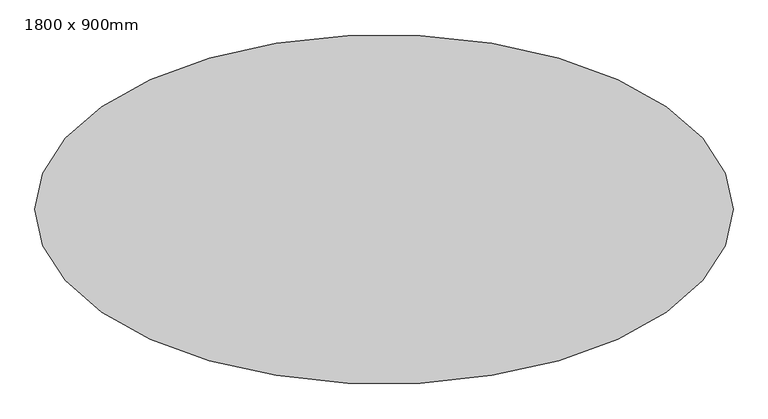
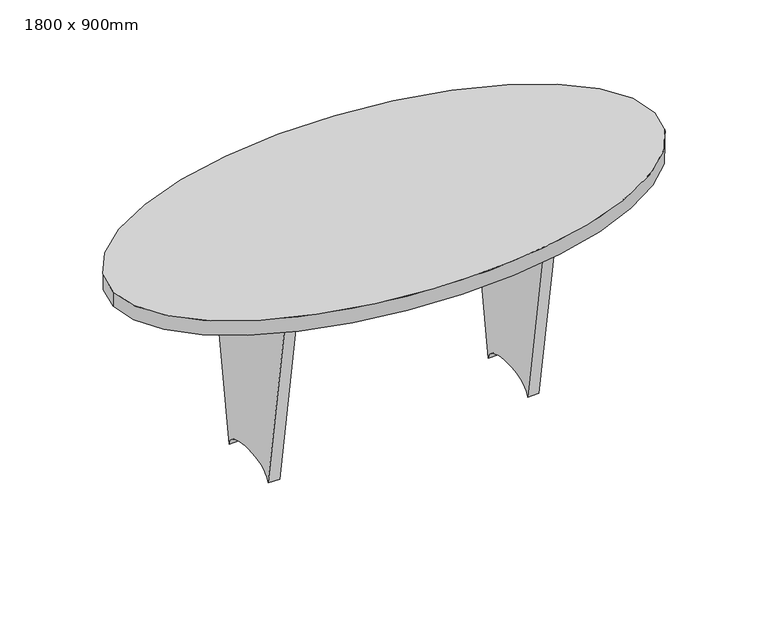
"""IFC4 building model written with IfcOpenShell, lengths in millimetres: furniture geometry, 1800 x 900mm."""

from ifc_helpers import new_model, si_unit, point, frame, origin, place, context, project, spatial, ellipse_curve, trimmed, source, transform, mapped, element, save
from ifc_brep_helpers import plane_surface, extruded_surface, advanced_brep


def furniture_1800_x_900mm_fd46d5a5(model_context):
    return source(origin(), model_context, "Body", "AdvancedBrep", [
        advanced_brep(
        [(-411.9, 19.05, 709.2), (411.9, 19.05, 709.2), (411.9, 19.05, 472.8), (-411.9, 19.05, 472.8), (-411.9, -19.05, 709.2), (-411.9, -19.05, 472.8), (411.9, -19.05, 472.8), (411.9, -19.05, 709.2)],
        [
            (0, 1),
            (1, 2),
            (2, 3, ellipse_curve(frame((0.0, 19.05, 472.8), z_axis=(0.0, -1.0, 0.0), x_axis=(1.0, 0.0, 0.0)), 411.9, 101.6)),
            (3, 0),
            (4, 5),
            (5, 6, ellipse_curve(frame((0.0, -19.05, 472.8), z_axis=(0.0, 1.0, 0.0), x_axis=(1.0, 0.0, 0.0)), 411.9, 101.6)),
            (6, 7),
            (7, 4),
            (0, 4),
            (7, 1),
            (6, 2),
            (5, 3),
        ],
        [
            plane_surface(frame((-411.9, 19.05, 709.2), z_axis=(0.0, 1.0, 0.0), x_axis=(1.0, 0.0, 0.0))),
            plane_surface(frame((-411.9, -19.05, 709.2), z_axis=(0.0, -1.0, 0.0), x_axis=(-1.0, 0.0, 0.0))),
            plane_surface(frame((-411.9, 19.05, 709.2), z_axis=(0.0, 0.0, 1.0), x_axis=(0.0, -1.0, 0.0))),
            plane_surface(frame((411.9, 19.05, 709.2), z_axis=(1.0, 0.0, 0.0), x_axis=(0.0, -1.0, 0.0))),
            extruded_surface(trimmed(ellipse_curve(frame((0.0, -57.15, 472.8), z_axis=(0.0, -1.0, 0.0), x_axis=(1.0, 0.0, 0.0)), 411.9, 101.6), [point((411.9, -57.15, 472.8))], [point((-411.9, -57.15, 472.8))], True, "CARTESIAN"), (0.0, 38.099999999999994, 0.0), 38.099999999999994),
            plane_surface(frame((-411.9, 19.05, 472.8), z_axis=(-1.0, 0.0, 0.0), x_axis=(0.0, -1.0, 0.0))),
        ],
        [
            (0, [[1, 2, 3, 4]]),
            (1, [[5, 6, 7, 8]]),
            (2, [[-1, 9, -8, 10]]),
            (3, [[-2, -10, -7, 11]]),
            (4, [[-3, -11, -6, 12]]),
            (5, [[-4, -12, -5, -9]]),
        ],
    ),
        advanced_brep(
        [(450.0, 225.0, 709.2), (450.0, -225.0, 709.2), (450.0, -112.5, 0.0), (450.0, 112.5, 0.0), (411.9, 225.0, 709.2), (411.9, 112.5, 0.0), (411.9, -112.5, 0.0), (411.9, -225.0, 709.2)],
        [
            (0, 1),
            (1, 2),
            (2, 3, ellipse_curve(frame((450.0, 0.0, 0.0), z_axis=(-1.0, 0.0, 0.0), x_axis=(0.0, 1.0, 0.0)), 112.5, 50.8)),
            (3, 0),
            (4, 5),
            (5, 6, ellipse_curve(frame((411.9, 0.0, 0.0), z_axis=(1.0, 0.0, 0.0), x_axis=(0.0, 1.0, 0.0)), 112.5, 50.8)),
            (6, 7),
            (7, 4),
            (0, 4),
            (7, 1),
            (6, 2),
            (5, 3),
        ],
        [
            plane_surface(frame((450.0, -225.0, 709.2), z_axis=(1.0, 0.0, 0.0), x_axis=(0.0, -1.0, 0.0))),
            plane_surface(frame((411.9, -225.0, 709.2), z_axis=(-1.0, 0.0, 0.0), x_axis=(0.0, 1.0, 0.0))),
            plane_surface(frame((450.0, 225.0, 709.2), z_axis=(0.0, 0.0, 1.0), x_axis=(-1.0, 0.0, 0.0))),
            plane_surface(frame((450.0, -225.0, 709.2), z_axis=(0.0, -0.9876509250759588, -0.1566705147645943), x_axis=(-1.0, 0.0, 0.0))),
            extruded_surface(trimmed(ellipse_curve(frame((373.8, 0.0, 0.0), z_axis=(-1.0, 0.0, 0.0), x_axis=(0.0, 1.0, 0.0)), 112.5, 50.8), [point((373.8, -112.5, 0.0))], [point((373.8, 112.5, 0.0))], True, "CARTESIAN"), (38.099999999999966, 0.0, 0.0), 38.099999999999966),
            plane_surface(frame((450.0, 112.5, 0.0), z_axis=(0.0, 0.9876509250759595, -0.1566705147645892), x_axis=(-1.0, 0.0, 0.0))),
        ],
        [
            (0, [[1, 2, 3, 4]]),
            (1, [[5, 6, 7, 8]]),
            (2, [[-1, 9, -8, 10]]),
            (3, [[-2, -10, -7, 11]]),
            (4, [[-3, -11, -6, 12]]),
            (5, [[-4, -12, -5, -9]]),
        ],
    ),
        advanced_brep(
        [(-411.9, 225.0, 709.2), (-411.9, -225.0, 709.2), (-411.9, -112.5, 0.0), (-411.9, 112.5, 0.0), (-450.0, 225.0, 709.2), (-450.0, 112.5, 0.0), (-450.0, -112.5, 0.0), (-450.0, -225.0, 709.2)],
        [
            (0, 1),
            (1, 2),
            (2, 3, ellipse_curve(frame((-411.9, 0.0, 0.0), z_axis=(-1.0, 0.0, 0.0), x_axis=(0.0, 1.0, 0.0)), 112.5, 50.8)),
            (3, 0),
            (4, 5),
            (5, 6, ellipse_curve(frame((-450.0, 0.0, 0.0), z_axis=(1.0, 0.0, 0.0), x_axis=(0.0, 1.0, 0.0)), 112.5, 50.8)),
            (6, 7),
            (7, 4),
            (0, 4),
            (7, 1),
            (6, 2),
            (5, 3),
        ],
        [
            plane_surface(frame((-411.9, -225.0, 709.2), z_axis=(1.0, 0.0, 0.0), x_axis=(0.0, -1.0, 0.0))),
            plane_surface(frame((-450.0, -225.0, 709.2), z_axis=(-1.0, 0.0, 0.0), x_axis=(0.0, 1.0, 0.0))),
            plane_surface(frame((-411.9, 225.0, 709.2), z_axis=(0.0, 0.0, 1.0), x_axis=(-1.0, 0.0, 0.0))),
            plane_surface(frame((-411.9, -225.0, 709.2), z_axis=(0.0, -0.9876509250759585, -0.15667051476459606), x_axis=(-1.0, 0.0, 0.0))),
            extruded_surface(trimmed(ellipse_curve(frame((-488.1, 0.0, 0.0), z_axis=(-1.0, 0.0, 0.0), x_axis=(0.0, 1.0, 0.0)), 112.5, 50.8), [point((-488.1, -112.5, 0.0))], [point((-488.1, 112.5, 0.0))], True, "CARTESIAN"), (38.10000000000002, 0.0, 0.0), 38.10000000000002),
            plane_surface(frame((-411.9, 112.5, 0.0), z_axis=(0.0, 0.9876509250759599, -0.1566705147645873), x_axis=(-1.0, 0.0, 0.0))),
        ],
        [
            (0, [[1, 2, 3, 4]]),
            (1, [[5, 6, 7, 8]]),
            (2, [[-1, 9, -8, 10]]),
            (3, [[-2, -10, -7, 11]]),
            (4, [[-3, -11, -6, 12]]),
            (5, [[-4, -12, -5, -9]]),
        ],
    ),
        advanced_brep(
        [(-900.0, 0.0, 760.0), (900.0, 0.0, 760.0), (-900.0, 0.0, 709.2), (900.0, 0.0, 709.2)],
        [
            (0, 1, ellipse_curve(frame((0.0, 0.0, 760.0), z_axis=(0.0, 0.0, 1.0), x_axis=(1.0, 0.0, 0.0)), 900.0, 450.0)),
            (1, 0, ellipse_curve(frame((0.0, 0.0, 760.0), z_axis=(0.0, 0.0, 1.0), x_axis=(1.0, 0.0, 0.0)), 900.0, 450.0)),
            (2, 3, ellipse_curve(frame((0.0, 0.0, 709.2), z_axis=(0.0, 0.0, -1.0), x_axis=(1.0, 0.0, 0.0)), 900.0, 450.0)),
            (3, 2, ellipse_curve(frame((0.0, 0.0, 709.2), z_axis=(0.0, 0.0, -1.0), x_axis=(1.0, 0.0, 0.0)), 900.0, 450.0)),
            (0, 2),
            (3, 1),
        ],
        [
            plane_surface(frame((900.0, 0.0, 760.0), z_axis=(0.0, 0.0, 1.0), x_axis=(0.0, 1.0, 0.0))),
            plane_surface(frame((900.0, 0.0, 709.2), z_axis=(0.0, 0.0, -1.0), x_axis=(0.0, -1.0, 0.0))),
            extruded_surface(trimmed(ellipse_curve(frame((0.0, 0.0, 658.4), z_axis=(0.0, 0.0, 1.0), x_axis=(1.0, 0.0, 0.0)), 900.0, 450.0), [point((-900.0, 0.0, 658.4))], [point((900.0, 0.0, 658.4))], True, "CARTESIAN"), (0.0, 0.0, 50.80000000000007), 50.80000000000007),
            extruded_surface(trimmed(ellipse_curve(frame((0.0, 0.0, 658.4), z_axis=(0.0, 0.0, 1.0), x_axis=(1.0, 0.0, 0.0)), 900.0, 450.0), [point((900.0, 0.0, 658.4))], [point((-900.0, 0.0, 658.4))], True, "CARTESIAN"), (0.0, 0.0, 50.80000000000007), 50.80000000000007),
        ],
        [
            (0, [[1, 2]]),
            (1, [[3, 4]]),
            (2, [[-1, 5, -4, 6]]),
            (3, [[-2, -6, -3, -5]]),
        ],
    ),
    ])


if __name__ == "__main__":
    model = new_model("IFC4")
    model_context = context("Model", 3, world=origin())
    ifc_project = project(units=[si_unit("LENGTHUNIT", "METRE", prefix="MILLI")], contexts=[model_context])
    site = spatial("IfcSite", under=ifc_project)
    building = spatial("IfcBuilding", under=site)
    placement = place(None, origin())
    furniture_1800_x_900mm_shape = furniture_1800_x_900mm_fd46d5a5(model_context)
    element("IfcFurniture", 1, ObjectType="1800 x 900mm", at=placement, inside=building, context=model_context, shape_type="MappedRepresentation", body=[
        mapped(furniture_1800_x_900mm_shape, transform((0.0, 0.0, 0.0), x_axis=(1.0, 0.0, 0.0), y_axis=(0.0, 1.0, 0.0), z_axis=(0.0, 0.0, 1.0))),
    ])
    save(model, "model.ifc")
